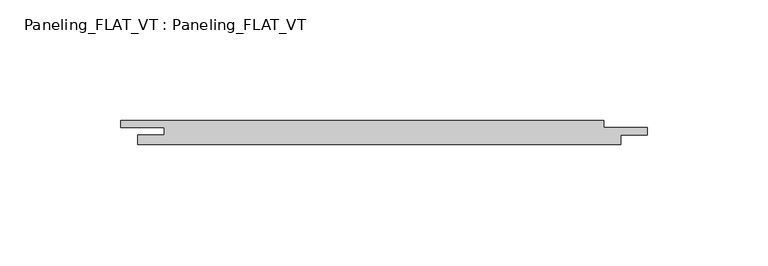
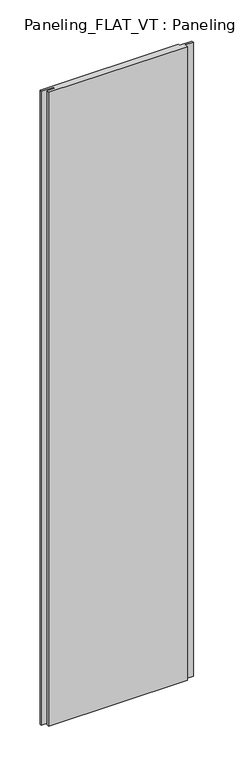
"""IFC4 building model written with IfcOpenShell, lengths in millimetres: plate geometry, Paneling_FLAT_VT : Paneling_FLAT_VT."""

from ifc_helpers import new_model, si_unit, origin, origin_with_axes, place, context, project, spatial, polyline, outline, extrude, source, transform, mapped, element, save


def paneling_flat_vt_paneling_flat_vt_fd4f4c40(model_context):
    return source(origin(), model_context, "Body", "SweptSolid", [
        extrude(outline(polyline([(93.0, 5.0), (93.0, 2.0), (111.0, 2.0), (111.0, -1.0), (100.0, -1.0), (100.0, -5.0), (-100.0, -5.0), (-100.0, -1.0), (-89.0, -1.0), (-89.0, 2.0), (-107.0, 2.0), (-107.0, 5.0), (93.0, 5.0)])), origin_with_axes(), (0.0, 0.0, 1.0), 966.8),
    ])


if __name__ == "__main__":
    model = new_model("IFC4")
    model_context = context("Model", 3, world=origin())
    ifc_project = project(units=[si_unit("LENGTHUNIT", "METRE", prefix="MILLI")], contexts=[model_context])
    site = spatial("IfcSite", under=ifc_project)
    building = spatial("IfcBuilding", under=site)
    placement = place(None, origin())
    paneling_flat_vt_paneling_flat_vt_shape = paneling_flat_vt_paneling_flat_vt_fd4f4c40(model_context)
    element("IfcPlate", 1, ObjectType="Paneling_FLAT_VT : Paneling_FLAT_VT", at=placement, inside=building, context=model_context, shape_type="MappedRepresentation", body=[
        mapped(paneling_flat_vt_paneling_flat_vt_shape, transform((0.0, 0.0, 0.0), x_axis=(1.0, 0.0, 0.0), y_axis=(0.0, 1.0, 0.0), z_axis=(0.0, 0.0, 1.0))),
    ])
    save(model, "model.ifc")
